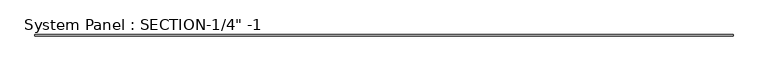
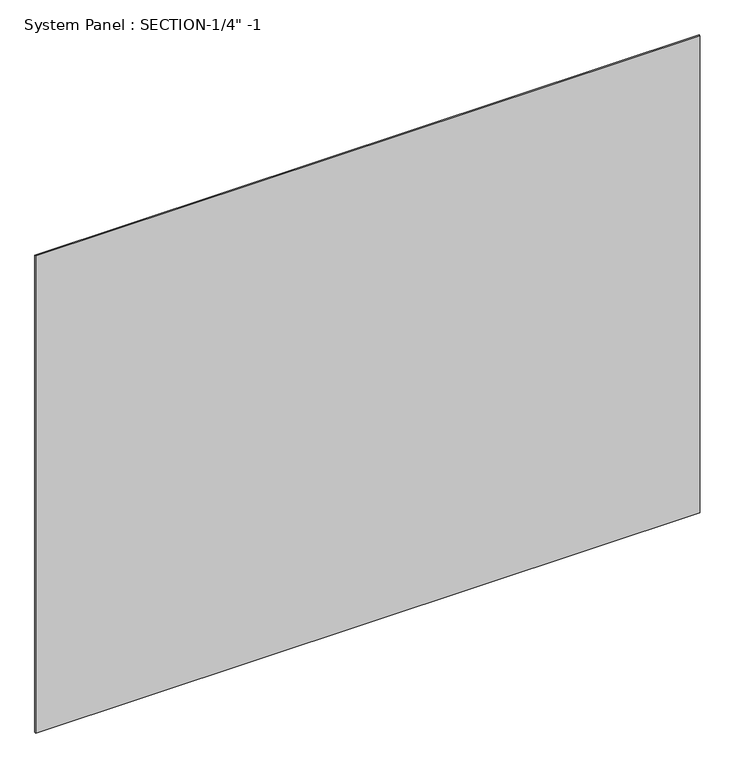
"""IFC4 building model written with IfcOpenShell, lengths in millimetres: plate geometry."""

from ifc_helpers import new_model, si_unit, origin, origin_with_axes, place, context, project, spatial, polyline, outline, extrude, source, transform, mapped, element, save


def plate_a4129c71(model_context):
    return source(origin(), model_context, "Body", "SweptSolid", [
        extrude(outline(polyline([(2006.9318087, 0.0), (-2006.9318087, 0.0), (-2006.9318087, 6.35), (2006.9318087, 6.35), (2006.9318087, 0.0)])), origin_with_axes(), (0.0, 0.0, 1.0), 3048.0),
    ])


if __name__ == "__main__":
    model = new_model("IFC4")
    model_context = context("Model", 3, world=origin())
    ifc_project = project(units=[si_unit("LENGTHUNIT", "METRE", prefix="MILLI")], contexts=[model_context])
    site = spatial("IfcSite", under=ifc_project)
    building = spatial("IfcBuilding", under=site)
    placement = place(None, origin())
    plate_shape = plate_a4129c71(model_context)
    element("IfcPlate", 1, ObjectType="System Panel : SECTION-1/4\" -1", at=placement, inside=building, context=model_context, shape_type="MappedRepresentation", body=[
        mapped(plate_shape, transform((0.0, 0.0, 0.0), x_axis=(1.0, 0.0, 0.0), y_axis=(0.0, 1.0, 0.0), z_axis=(0.0, 0.0, 1.0))),
    ])
    save(model, "model.ifc")
